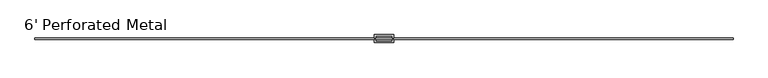
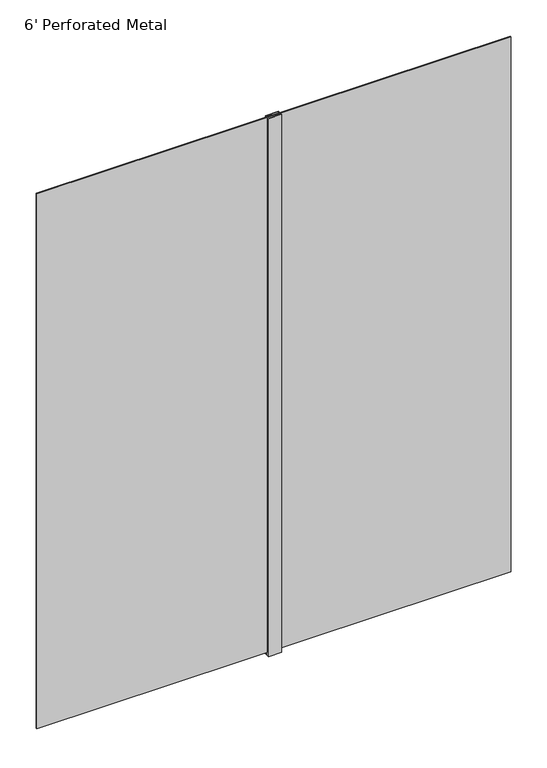
"""IFC4 building model written with IfcOpenShell, lengths in millimetres: furniture geometry, 6' Perforated Metal."""

from ifc_helpers import new_model, si_unit, frame, origin, origin_with_axes, place, context, project, spatial, polyline, outline, extrude, source, transform, mapped, element, save


def furniture_6_perforated_metal_9f7a8d09(model_context):
    return source(origin(), model_context, "Body", "SweptSolid", [
        extrude(outline(polyline([(889.381, -1.6002), (892.3782, -1.6002), (892.3782, -7.5946), (936.4218, -7.5946), (936.4218, -1.6002), (939.419, -1.6002), (939.419, -10.5918), (889.381, -10.5918), (889.381, -1.6002)])), origin_with_axes(), (0.0, 0.0, 1.0), 2193.163),
        extrude(outline(polyline([(889.381, 1.6002), (889.381, 10.5918), (939.419, 10.5918), (939.419, 1.6002), (936.4218, 1.6002), (936.4218, 7.5946), (892.3782, 7.5946), (892.3782, 1.6002), (889.381, 1.6002)])), origin_with_axes(), (0.0, 0.0, 1.0), 2193.163),
        extrude(outline(polyline([(0.0, -1.6002), (0.0, 1.6002), (1828.8, 1.6002), (1828.8, -1.6002), (0.0, -1.6002)])), frame((0.0, 0.0, 12.2428), z_axis=(0.0, 0.0, 1.0), x_axis=(1.0, 0.0, 0.0)), (0.0, 0.0, 1.0), 2180.9202),
    ])


if __name__ == "__main__":
    model = new_model("IFC4")
    model_context = context("Model", 3, world=origin())
    ifc_project = project(units=[si_unit("LENGTHUNIT", "METRE", prefix="MILLI")], contexts=[model_context])
    site = spatial("IfcSite", under=ifc_project)
    building = spatial("IfcBuilding", under=site)
    placement = place(None, origin())
    furniture_6_perforated_metal_shape = furniture_6_perforated_metal_9f7a8d09(model_context)
    element("IfcFurniture", 1, ObjectType="6' Perforated Metal", at=placement, inside=building, context=model_context, shape_type="MappedRepresentation", body=[
        mapped(furniture_6_perforated_metal_shape, transform((0.0, 0.0, 0.0), x_axis=(1.0, 0.0, 0.0), y_axis=(0.0, 1.0, 0.0), z_axis=(0.0, 0.0, 1.0))),
    ])
    save(model, "model.ifc")
